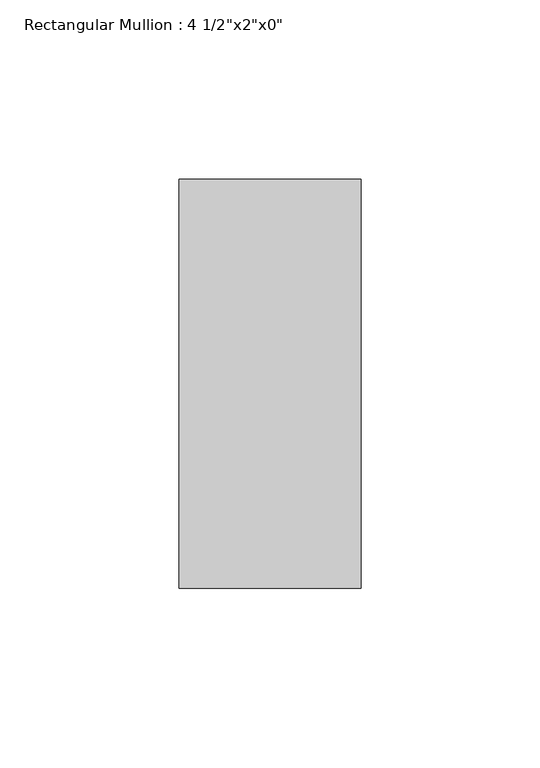
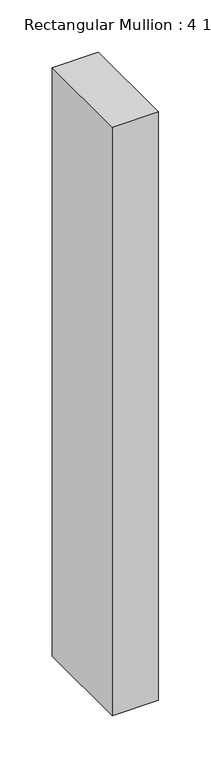
"""IFC4 building model written with IfcOpenShell, lengths in millimetres: member geometry."""

from ifc_helpers import new_model, si_unit, frame, origin, place, context, project, spatial, polyline, outline, extrude, source, transform, mapped, element, save


def member_bc29d2eb(model_context):
    return source(origin(), model_context, "Body", "SweptSolid", [
        extrude(outline(polyline([(0.0, 57.15), (0.0, -57.15), (-50.8, -57.15), (-50.8, 57.15), (0.0, 57.15)])), frame((0.0, 0.0, -685.7498202), z_axis=(0.0, 0.0, 1.0), x_axis=(1.0, 0.0, 0.0)), (0.0, 0.0, 1.0), 685.7498202),
    ])


if __name__ == "__main__":
    model = new_model("IFC4")
    model_context = context("Model", 3, world=origin())
    ifc_project = project(units=[si_unit("LENGTHUNIT", "METRE", prefix="MILLI")], contexts=[model_context])
    site = spatial("IfcSite", under=ifc_project)
    building = spatial("IfcBuilding", under=site)
    placement = place(None, origin())
    member_shape = member_bc29d2eb(model_context)
    element("IfcMember", 1, ObjectType="Rectangular Mullion : 4 1/2\"x2\"x0\"", at=placement, inside=building, context=model_context, shape_type="MappedRepresentation", body=[
        mapped(member_shape, transform((0.0, 0.0, 0.0), x_axis=(1.0, 0.0, 0.0), y_axis=(0.0, 1.0, 0.0), z_axis=(0.0, 0.0, 1.0))),
    ])
    save(model, "model.ifc")
